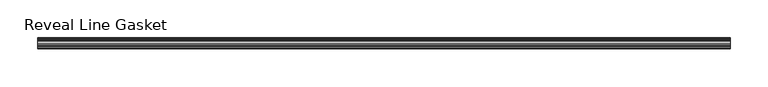
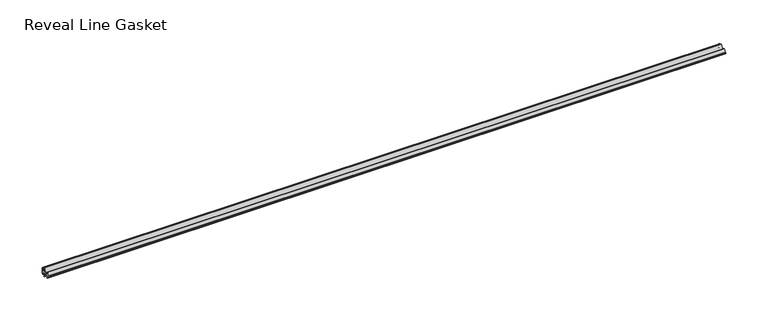
"""IFC4 building model written with IfcOpenShell, lengths in millimetres: furniture geometry, Reveal Line Gasket."""

from ifc_helpers import new_model, si_unit, point, frame, frame_2d, origin, place, context, project, spatial, polyline, circle_curve, trimmed, segment, composite_curve, outline, extrude, source, transform, mapped, element, save


def reveal_line_gasket_ee2313f6(model_context):
    return source(origin(), model_context, "Body", "SweptSolid", [
        extrude(outline(composite_curve([segment(polyline([(7.6326998, 1603.2), (7.6326998, 1597.2), (7.4091917, 1596.2445073), (6.8813059, 1595.3115316)]), True, "CONTINUOUS"), segment(trimmed(circle_curve(frame_2d((6.5243141, 1595.5135207)), 0.4101739), [point((6.8813059, 1595.3115316))], [point((6.1246704, 1595.6058653))], False, "CARTESIAN"), True, "CONTINUOUS"), segment(polyline([(6.1246704, 1595.6058653), (6.3626997, 1597.3020914), (6.3626997, 1599.3345473)]), True, "CONTINUOUS"), segment(trimmed(circle_curve(frame_2d((5.6959605, 1598.9180742)), 0.786124), [point((6.3626997, 1599.3345473))], [point((5.0926996, 1599.422125))], True, "CARTESIAN"), True, "CONTINUOUS"), segment(polyline([(5.0926996, 1599.422125), (0.7492996, 1599.422125), (3.7293824, 1594.2604705)]), True, "CONTINUOUS"), segment(trimmed(circle_curve(frame_2d((3.3132479, 1594.1950239)), 0.4212495), [point((3.7293824, 1594.2604705))], [point((3.0485022, 1593.8673642))], False, "CARTESIAN"), True, "CONTINUOUS"), segment(polyline([(3.0485022, 1593.8673642), (-0.5742594, 1599.422125), (-4.8262978, 1599.422125), (-3.1660374, 1596.5464703)]), True, "CONTINUOUS"), segment(trimmed(circle_curve(frame_2d((-3.5978728, 1596.4881145)), 0.4357605), [point((-3.1660374, 1596.5464703))], [point((-3.864328, 1596.1433119))], False, "CARTESIAN"), True, "CONTINUOUS"), segment(polyline([(-3.864328, 1596.1433119), (-6.1944059, 1599.422125), (-7.6326998, 1599.422125), (-7.6326998, 1600.977875), (-6.1944059, 1600.977875), (-3.864328, 1604.2566881)]), True, "CONTINUOUS"), segment(trimmed(circle_curve(frame_2d((-3.5978728, 1603.9118855)), 0.4357605), [point((-3.864328, 1604.2566881))], [point((-3.1660374, 1603.8535297))], False, "CARTESIAN"), True, "CONTINUOUS"), segment(polyline([(-3.1660374, 1603.8535297), (-4.8262978, 1600.977875), (-0.5742594, 1600.977875), (3.0485022, 1606.5326358)]), True, "CONTINUOUS"), segment(trimmed(circle_curve(frame_2d((3.3132479, 1606.2049761)), 0.4212495), [point((3.0485022, 1606.5326358))], [point((3.7293824, 1606.1395295))], False, "CARTESIAN"), True, "CONTINUOUS"), segment(polyline([(3.7293824, 1606.1395295), (0.7492996, 1600.977875), (5.0926996, 1600.977875)]), True, "CONTINUOUS"), segment(trimmed(circle_curve(frame_2d((5.6959605, 1601.4819258)), 0.786124), [point((5.0926996, 1600.977875))], [point((6.3626997, 1601.0654527))], True, "CARTESIAN"), True, "CONTINUOUS"), segment(polyline([(6.3626997, 1601.0654527), (6.3626997, 1603.0979086), (6.1246704, 1604.7941347)]), True, "CONTINUOUS"), segment(trimmed(circle_curve(frame_2d((6.5243141, 1604.8864793)), 0.4101739), [point((6.1246704, 1604.7941347))], [point((6.8813059, 1605.0884684))], False, "CARTESIAN"), True, "CONTINUOUS"), segment(polyline([(6.8813059, 1605.0884684), (7.4091917, 1604.1554927), (7.6326998, 1603.2)]), True, "CONTINUOUS")], self_intersect=False)), frame((-461.6704, 0.0, 0.0), z_axis=(1.0, 0.0, 0.0), x_axis=(0.0, 1.0, 0.0)), (0.0, 0.0, 1.0), 923.3408),
    ])


if __name__ == "__main__":
    model = new_model("IFC4")
    model_context = context("Model", 3, world=origin())
    ifc_project = project(units=[si_unit("LENGTHUNIT", "METRE", prefix="MILLI")], contexts=[model_context])
    site = spatial("IfcSite", under=ifc_project)
    building = spatial("IfcBuilding", under=site)
    placement = place(None, origin())
    reveal_line_gasket_shape = reveal_line_gasket_ee2313f6(model_context)
    element("IfcFurniture", 1, ObjectType="Reveal Line Gasket", at=placement, inside=building, context=model_context, shape_type="MappedRepresentation", body=[
        mapped(reveal_line_gasket_shape, transform((0.0, 0.0, 0.0), x_axis=(1.0, 0.0, 0.0), y_axis=(0.0, 1.0, 0.0), z_axis=(0.0, 0.0, 1.0))),
    ])
    save(model, "model.ifc")
